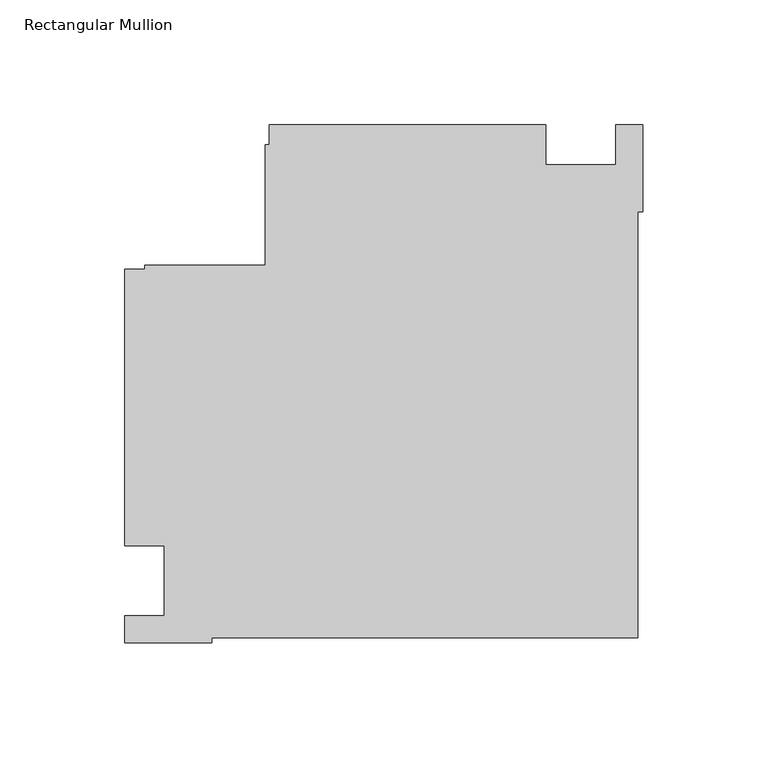
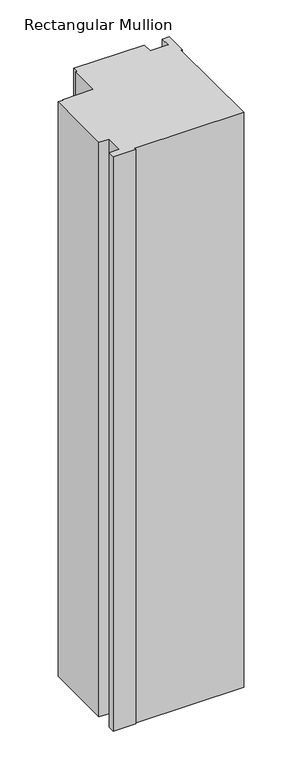
"""IFC4 building model written with IfcOpenShell, lengths in millimetres: member geometry, Rectangular Mullion."""

from ifc_helpers import new_model, si_unit, frame, origin, place, context, project, spatial, polyline, outline, extrude, source, transform, mapped, element, save


def rectangular_mullion_d72b7a01(model_context):
    return source(origin(), model_context, "Body", "SweptSolid", [
        extrude(outline(polyline([(-38.9998882, 182.9914777), (-38.9998882, 166.9914777), (-10.996264, 166.9914777), (-10.996264, 183.0000001), (0.0, 183.0000001), (0.0, 147.9999738), (-2.0852141, 147.9999738), (-2.0852141, -22.9147834), (-172.9999713, -22.9147834), (-172.9999713, -25.0), (-207.9999976, -25.0), (-207.9999976, -13.9997041), (-191.9999976, -13.9997041), (-191.9999976, 13.9998907), (-207.9999976, 13.9998907), (-207.9999976, 125.0000025), (-200.0, 125.0000025), (-200.0, 126.6000025), (-151.6, 126.6000025), (-151.6, 175.0000025), (-150.0, 175.0000025), (-150.0, 182.9914777), (-38.9998882, 182.9914777)])), frame((0.0, 0.0, -953.6595328), z_axis=(0.0, 0.0, 1.0), x_axis=(1.0, 0.0, 0.0)), (0.0, 0.0, 1.0), 953.6595328),
    ])


if __name__ == "__main__":
    model = new_model("IFC4")
    model_context = context("Model", 3, world=origin())
    ifc_project = project(units=[si_unit("LENGTHUNIT", "METRE", prefix="MILLI")], contexts=[model_context])
    site = spatial("IfcSite", under=ifc_project)
    building = spatial("IfcBuilding", under=site)
    placement = place(None, origin())
    rectangular_mullion_shape = rectangular_mullion_d72b7a01(model_context)
    element("IfcMember", 1, ObjectType="Rectangular Mullion", at=placement, inside=building, context=model_context, shape_type="MappedRepresentation", body=[
        mapped(rectangular_mullion_shape, transform((0.0, 0.0, 0.0), x_axis=(1.0, 0.0, 0.0), y_axis=(0.0, 1.0, 0.0), z_axis=(0.0, 0.0, 1.0))),
    ])
    save(model, "model.ifc")
